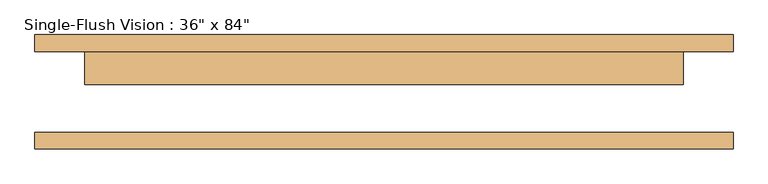
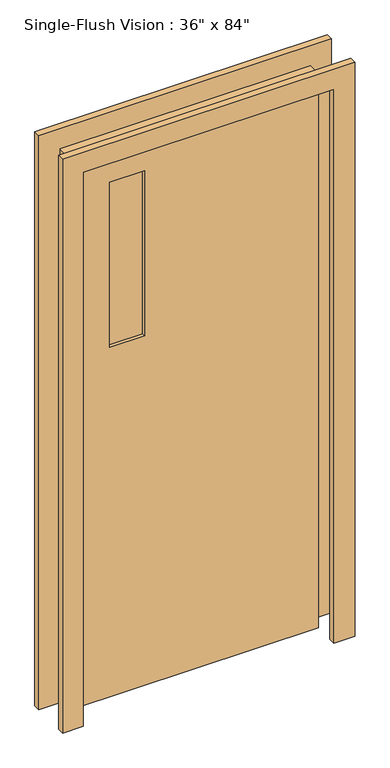
"""IFC4 building model written with IfcOpenShell, lengths in millimetres: door geometry."""

import ifcopenshell
import ifcopenshell.guid

model = None  # the IFC model being written
_history = None  # IfcOwnerHistory: only IFC2X3 demands one
_inside = {}  # id of a spatial element -> (the spatial element, [elements in it])
_under = {}  # id of a project, library or spatial element -> (it, [spatial elements below it])
_declared = {}  # id of a project -> (the project, [libraries it declares])
_typed = {}  # id of a type object -> (the type object, [elements of that type])
_made_of = {}  # id of a material, layer set ... -> (it, [elements and type objects made of it])


def new_model(schema):
    """Start an empty IFC model of exactly this schema.

    Asked for "IFC4X3", IfcOpenShell would pick the latest addendum, in which some entities
    have other attributes; the version numbers below select the first issue.
    IFC2X3 requires an IfcOwnerHistory on every rooted entity: one is made here for all.
    """
    global model, _history
    if schema == "IFC4X3":
        model = ifcopenshell.file(schema_version=(4, 3, 0, 0))
    else:
        model = ifcopenshell.file(schema=schema)
    _inside.clear()
    _under.clear()
    _declared.clear()
    _typed.clear()
    _made_of.clear()
    _history = None
    if model.schema == "IFC2X3":
        org = make("IfcOrganization", Name="unknown")
        user = make(
            "IfcPersonAndOrganization",
            ThePerson=make("IfcPerson", FamilyName="unknown"),
            TheOrganization=org,
        )
        app = make(
            "IfcApplication",
            ApplicationDeveloper=org,
            Version="unknown",
            ApplicationFullName="unknown",
            ApplicationIdentifier="unknown",
        )
        _history = make(
            "IfcOwnerHistory",
            OwningUser=user,
            OwningApplication=app,
            ChangeAction="ADDED",
            CreationDate=0,
        )
    return model


def make(cls, **values):
    """One entity of the class cls with the attributes given. An attribute that is None is left unset."""
    return model.create_entity(
        cls, **{name: value for name, value in values.items() if value is not None}
    )


def rooted(cls, **values):
    """An entity with a GlobalId (a new one), such as an element, a storey or a relation."""
    return make(cls, GlobalId=ifcopenshell.guid.new(), OwnerHistory=_history, **values)


def si_unit(unit_type, name, prefix=None):
    """IfcSIUnit, for example si_unit("LENGTHUNIT", "METRE", prefix="MILLI")."""
    return make("IfcSIUnit", UnitType=unit_type, Prefix=prefix, Name=name)


def assignment(units):
    """IfcUnitAssignment: the units of a project."""
    return None if units is None else make("IfcUnitAssignment", Units=units)


def point(xyz):
    """IfcCartesianPoint."""
    return None if xyz is None else make("IfcCartesianPoint", Coordinates=xyz)


def direction(xyz):
    """IfcDirection."""
    return None if xyz is None else make("IfcDirection", DirectionRatios=xyz)


def frame(location, z_axis=None, x_axis=None):
    """IfcAxis2Placement3D, a coordinate frame: its origin and axes. An axis left out is left unset."""
    return make(
        "IfcAxis2Placement3D",
        Location=point(location),
        Axis=direction(z_axis),
        RefDirection=direction(x_axis),
    )


def origin():
    """The frame at (0, 0, 0) with its axes left unset."""
    return frame((0.0, 0.0, 0.0))


def place(relative_to, where):
    """IfcLocalPlacement: puts the frame where relative to a parent placement (None: the world)."""
    return make(
        "IfcLocalPlacement", PlacementRelTo=relative_to, RelativePlacement=where
    )


def context(
    kind, dimensions, precision=None, world=None, true_north=None, identifier=None
):
    """IfcGeometricRepresentationContext, for example the 3D "Model" context."""
    return make(
        "IfcGeometricRepresentationContext",
        ContextIdentifier=identifier,
        ContextType=kind,
        CoordinateSpaceDimension=dimensions,
        Precision=precision,
        WorldCoordinateSystem=world,
        TrueNorth=true_north,
    )


def project(units=None, contexts=None):
    """IfcProject with its units and contexts."""
    return rooted(
        "IfcProject",
        Name="project",
        RepresentationContexts=contexts,
        UnitsInContext=assignment(units),
    )


def spatial(cls, under=None, at=None, **own):
    """A site, building, storey or space (cls), placed at a placement, below another one or the project."""
    s = rooted(cls, ObjectPlacement=at, **own)
    if under is not None:
        _under.setdefault(under.id(), (under, []))[1].append(s)
    return s


def polyline(points):
    """IfcPolyline through the points."""
    return make("IfcPolyline", Points=[point(p) for p in points])


def outline(outer, holes=None, kind="AREA"):
    """IfcArbitraryClosedProfileDef: a profile drawn as a closed curve; with holes, ...WithVoids."""
    if holes is None:
        return make("IfcArbitraryClosedProfileDef", ProfileType=kind, OuterCurve=outer)
    return make(
        "IfcArbitraryProfileDefWithVoids",
        ProfileType=kind,
        OuterCurve=outer,
        InnerCurves=holes,
    )


def extrude(swept, where, along, depth):
    """IfcExtrudedAreaSolid: the profile swept, set in the frame where, extruded along a direction by depth."""
    return make(
        "IfcExtrudedAreaSolid",
        SweptArea=swept,
        Position=where,
        ExtrudedDirection=direction(along),
        Depth=depth,
    )


def shape(context_of_items, identifier, shape_type, items):
    """IfcShapeRepresentation: the items that make up one representation, for example the "Body"."""
    return make(
        "IfcShapeRepresentation",
        ContextOfItems=context_of_items,
        RepresentationIdentifier=identifier,
        RepresentationType=shape_type,
        Items=items,
    )


def source(mapping_origin, context_of_items, identifier, shape_type, items):
    """IfcRepresentationMap: a shape defined once, which mapped items show again and again."""
    return make(
        "IfcRepresentationMap",
        MappingOrigin=mapping_origin,
        MappedRepresentation=shape(context_of_items, identifier, shape_type, items),
    )


def transform(
    local_origin,
    x_axis=None,
    y_axis=None,
    z_axis=None,
    scale=None,
    scale2=None,
    scale3=None,
    uniform=True,
):
    """IfcCartesianTransformationOperator3D, or its non-uniform kind. x_axis, y_axis, z_axis: its Axis1, 2, 3."""
    if uniform:
        return make(
            "IfcCartesianTransformationOperator3D",
            Axis1=direction(x_axis),
            Axis2=direction(y_axis),
            LocalOrigin=point(local_origin),
            Scale=scale,
            Axis3=direction(z_axis),
        )
    return make(
        "IfcCartesianTransformationOperator3DnonUniform",
        Axis1=direction(x_axis),
        Axis2=direction(y_axis),
        LocalOrigin=point(local_origin),
        Scale=scale,
        Axis3=direction(z_axis),
        Scale2=scale2,
        Scale3=scale3,
    )


def mapped(mapping_source, mapping_target):
    """IfcMappedItem: shows the shape of a source again, moved by a transform."""
    return make(
        "IfcMappedItem", MappingSource=mapping_source, MappingTarget=mapping_target
    )


def made_of(thing, what):
    """Note that an element or type object is made of a material, layer set ...; save() writes the relation."""
    if what is not None:
        _made_of.setdefault(what.id(), (what, []))[1].append(thing)
    return thing


def element(
    cls,
    number,
    at=None,
    inside=None,
    cuts=None,
    type_object=None,
    material=None,
    context=None,
    identifier="Body",
    shape_type=None,
    held_by="IfcProductDefinitionShape",
    body=None,
    shapes=None,
    **own,
):
    """One element of the class cls, such as IfcWall. Its Tag is "e" and its number.

    at: its placement. inside: the storey or other place that contains it. cuts: it is an
    opening in that element (IfcRelVoidsElement). A single representation is given by context,
    identifier, shape_type and body (its items); several are given by shapes. held_by: the class
    of the entity that holds the representations. save() writes the other relations.
    """
    e = rooted(cls, Tag="e%d" % number, ObjectPlacement=at, **own)
    if body is not None:
        shapes = [shape(context, identifier, shape_type, body)]
    if shapes is not None:
        e.Representation = make(held_by, Representations=shapes)
    if inside is not None:
        _inside.setdefault(inside.id(), (inside, []))[1].append(e)
    if cuts is not None:
        rooted(
            "IfcRelVoidsElement", RelatingBuildingElement=cuts, RelatedOpeningElement=e
        )
    if type_object is not None:
        _typed.setdefault(type_object.id(), (type_object, []))[1].append(e)
    return made_of(e, material)


def aggregate(whole, parts):
    """IfcRelAggregates: a whole, such as a stair, and the parts it consists of."""
    return rooted("IfcRelAggregates", RelatingObject=whole, RelatedObjects=parts)


def save(model, path):
    """Write the relations noted so far, then the file.

    IfcRelAggregates (storeys below a building ...), IfcRelContainedInSpatialStructure (elements
    in a storey), IfcRelDefinesByType, IfcRelAssociatesMaterial and IfcRelDeclares: one each for
    every whole, place, type object, material and project.
    """
    for whole, parts in _under.values():
        aggregate(whole, parts)
    for where, things in _inside.values():
        rooted(
            "IfcRelContainedInSpatialStructure",
            RelatedElements=things,
            RelatingStructure=where,
        )
    for kind, things in _typed.values():
        rooted("IfcRelDefinesByType", RelatedObjects=things, RelatingType=kind)
    for what, things in _made_of.values():
        rooted("IfcRelAssociatesMaterial", RelatedObjects=things, RelatingMaterial=what)
    for by, libraries in _declared.values():
        rooted("IfcRelDeclares", RelatingContext=by, RelatedDefinitions=libraries)
    model.write(path)


def door_2a3d4b99(model_context):
    return source(origin(), model_context, "Body", "SweptSolid", [
        extrude(outline(polyline([(2209.8, -533.4), (0.0, -533.4), (0.0, -457.2), (2133.6, -457.2), (2133.6, 457.2), (0.0, 457.2), (0.0, 533.4), (2209.8, 533.4), (2209.8, -533.4)])), frame((0.0, 61.9125, 0.0), z_axis=(0.0, 1.0, 0.0), x_axis=(0.0, 0.0, 1.0)), (0.0, 0.0, 1.0), 25.4),
        extrude(outline(polyline([(2133.6, 457.2), (0.0, 457.2), (0.0, 533.4), (2209.8, 533.4), (2209.8, -533.4), (0.0, -533.4), (0.0, -457.2), (2133.6, -457.2), (2133.6, 457.2)])), frame((0.0, -87.3125, 0.0), z_axis=(0.0, 1.0, 0.0), x_axis=(0.0, 0.0, 1.0)), (0.0, 0.0, 1.0), 25.4),
        extrude(outline(polyline([(-177.8, 23.8125), (-304.8, 23.8125), (-304.8, 30.1625), (-177.8, 30.1625), (-177.8, 23.8125)])), frame((0.0, 0.0, 1346.2), z_axis=(0.0, 0.0, 1.0), x_axis=(1.0, 0.0, 0.0)), (0.0, 0.0, 1.0), 635.0),
        extrude(outline(polyline([(-177.8, 42.8625), (-304.8, 42.8625), (-304.8, 49.2125), (-177.8, 49.2125), (-177.8, 42.8625)])), frame((0.0, 0.0, 1346.2), z_axis=(0.0, 0.0, 1.0), x_axis=(1.0, 0.0, 0.0)), (0.0, 0.0, 1.0), 635.0),
        extrude(outline(polyline([(2133.6, -457.2), (0.0, -457.2), (0.0, 457.2), (2133.6, 457.2), (2133.6, -457.2)]), holes=[polyline([(1981.2, -304.8), (1981.2, -177.8), (1346.2, -177.8), (1346.2, -304.8), (1981.2, -304.8)])]), frame((0.0, 11.1125, 0.0), z_axis=(0.0, 1.0, 0.0), x_axis=(0.0, 0.0, 1.0)), (0.0, 0.0, 1.0), 50.8),
    ])


if __name__ == "__main__":
    model = new_model("IFC4")
    model_context = context("Model", 3, world=origin())
    ifc_project = project(units=[si_unit("LENGTHUNIT", "METRE", prefix="MILLI")], contexts=[model_context])
    site = spatial("IfcSite", under=ifc_project)
    building = spatial("IfcBuilding", under=site)
    placement = place(None, origin())
    door_shape = door_2a3d4b99(model_context)
    element("IfcDoor", 1, ObjectType="Single-Flush Vision : 36\" x 84\"", at=placement, inside=building, context=model_context, shape_type="MappedRepresentation", body=[
        mapped(door_shape, transform((0.0, 0.0, 0.0), x_axis=(1.0, 0.0, 0.0), y_axis=(0.0, 1.0, 0.0), z_axis=(0.0, 0.0, 1.0))),
    ])
    save(model, "model.ifc")
